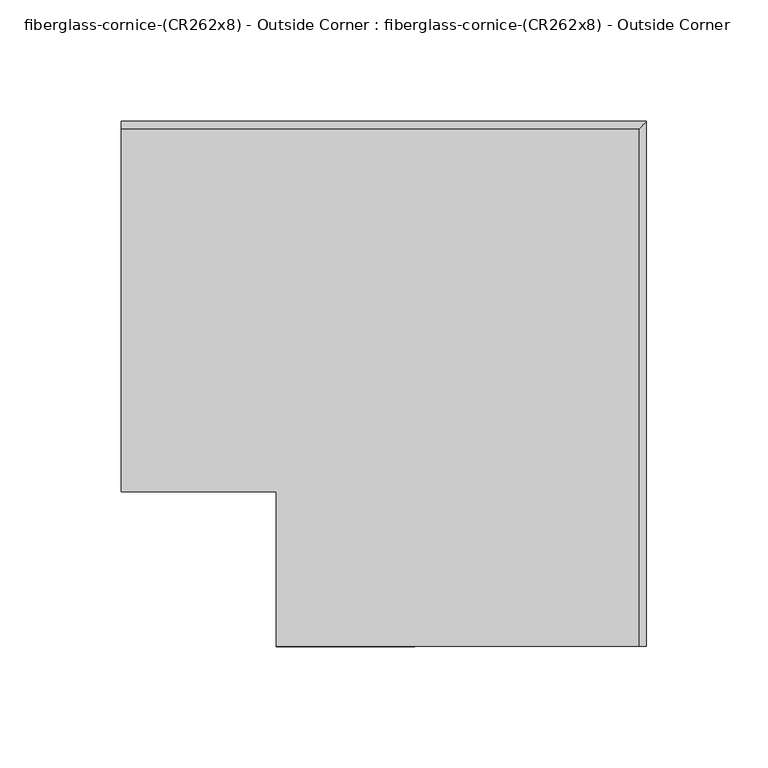
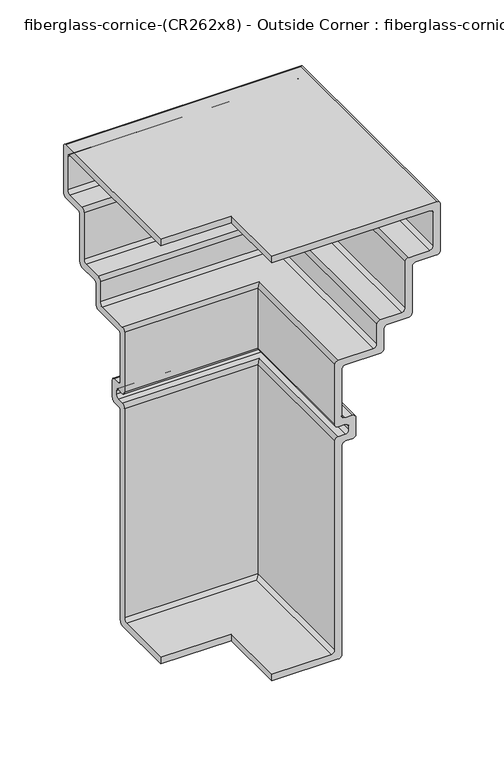
"""IFC4 building model written with IfcOpenShell, lengths in millimetres: furniture geometry, fiberglass-cornice-(CR262x8) - Outside Corner : fiberglass-cornice-(CR262x8) - Outside Corner."""

from ifc_helpers import new_model, si_unit, frame, origin, place, context, project, spatial, polyline, circle_curve, ellipse_curve, source, transform, mapped, element, save
from ifc_brep_helpers import plane_surface, cylinder_surface, revolved_surface, advanced_brep


def fiberglass_cornice_cr262x8_outside_corner_fiberglass_cornice_891cc02f(model_context):
    return source(origin(), model_context, "Body", "AdvancedBrep", [
        advanced_brep(
        [(-196.9488213, 101.6, 323.8499904), (-196.9488213, 101.6, 330.1999904), (-196.9488213, 250.825, 330.1999904), (-196.9488213, 254.0, 327.0249904), (-196.9488213, 254.0, 282.5749904), (-196.9488213, 250.825, 279.3999904), (-196.9488213, 231.775, 279.3999904), (-196.9488213, 228.6, 276.2249904), (-196.9488213, 228.6, 231.7749904), (-196.9488213, 225.425, 228.5999904), (-196.9488213, 206.375, 228.5999904), (-196.9488213, 203.2, 225.4249904), (-196.9488213, 203.2, 206.3749904), (-196.9488213, 200.025, 203.1999904), (-196.9488213, 168.275, 203.1999904), (-196.9488213, 165.1, 200.0249904), (-196.9488213, 165.1, 155.5749904), (-196.9488213, 168.275, 152.3999904), (-196.9488213, 174.625, 152.3999904), (-196.9488213, 177.8, 149.2249904), (-196.9488213, 177.8, 133.3499904), (-196.9488213, 174.625, 130.1749904), (-196.9488213, 168.275, 130.1749904), (-196.9488213, 165.1, 126.9999904), (-196.9488213, 165.1, -73.0250096), (-196.9488213, 161.925, -76.2000096), (-196.9488213, 101.6, -76.2000096), (-196.9488213, 101.6, -69.8500096), (-196.9488213, 155.575, -69.8500096), (-196.9488213, 158.75, -66.6750096), (-196.9488213, 158.75, 133.3499904), (-196.9488213, 161.925, 136.5249904), (-196.9488213, 168.275, 136.5249904), (-196.9488213, 171.45, 139.6999904), (-196.9488213, 171.45, 142.8749904), (-196.9488213, 168.275, 146.0499904), (-196.9488213, 161.925, 146.0499904), (-196.9488213, 158.75, 149.2249904), (-196.9488213, 158.75, 206.3749904), (-196.9488213, 161.925, 209.5499904), (-196.9488213, 193.675, 209.5499904), (-196.9488213, 196.85, 212.7249904), (-196.9488213, 196.85, 231.7749904), (-196.9488213, 200.025, 234.9499904), (-196.9488213, 219.075, 234.9499904), (-196.9488213, 222.25, 238.1249904), (-196.9488213, 222.25, 282.5749904), (-196.9488213, 225.425, 285.7499904), (-196.9488213, 244.475, 285.7499904), (-196.9488213, 247.65, 288.9249904), (-196.9488213, 247.65, 320.6749904), (-196.9488213, 244.475, 323.8499904), (-133.3496026, 38.0007813, 323.8499904), (9.5253974, 38.0007813, 323.8499904), (12.7003974, 38.0007813, 320.6749904), (12.7003974, 38.0007813, 288.9249904), (9.5253974, 38.0007813, 285.7499904), (-9.5246026, 38.0007813, 285.7499904), (-12.6996026, 38.0007813, 282.5749904), (-12.6996026, 38.0007813, 238.1249904), (-15.8746026, 38.0007813, 234.9499904), (-34.9246026, 38.0007813, 234.9499904), (-38.0996026, 38.0007813, 231.7749904), (-38.0996026, 38.0007813, 212.7249904), (-41.2746026, 38.0007813, 209.5499904), (-73.0246026, 38.0007813, 209.5499904), (-76.1996026, 38.0007813, 206.3749904), (-76.1996026, 38.0007813, 149.2249904), (-73.0246026, 38.0007813, 146.0499904), (-66.6746026, 38.0007813, 146.0499904), (-63.4996026, 38.0007813, 142.8749904), (-63.4996026, 38.0007813, 139.6999904), (-66.6746026, 38.0007813, 136.5249904), (-73.0246026, 38.0007813, 136.5249904), (-76.1996026, 38.0007813, 133.3499904), (-76.1996026, 38.0007813, -66.6750096), (-79.3746026, 38.0007813, -69.8500096), (-133.3496026, 38.0007813, -69.8500096), (-133.3496026, 38.0007813, -76.2000096), (-73.0246026, 38.0007813, -76.2000096), (-69.8496026, 38.0007813, -73.0250096), (-69.8496026, 38.0007813, 126.9999904), (-66.6746026, 38.0007813, 130.1749904), (-60.3246026, 38.0007813, 130.1749904), (-57.1496026, 38.0007813, 133.3499904), (-57.1496026, 38.0007813, 149.2249904), (-60.3246026, 38.0007813, 152.3999904), (-66.6746026, 38.0007813, 152.3999904), (-69.8496026, 38.0007813, 155.5749904), (-69.8496026, 38.0007813, 200.0249904), (-66.6746026, 38.0007813, 203.1999904), (-34.9246026, 38.0007813, 203.1999904), (-31.7496026, 38.0007813, 206.3749904), (-31.7496026, 38.0007813, 225.4249904), (-28.5746026, 38.0007813, 228.5999904), (-9.5246026, 38.0007813, 228.5999904), (-6.3496026, 38.0007813, 231.7749904), (-6.3496026, 38.0007813, 276.2249904), (-3.1746026, 38.0007813, 279.3999904), (15.8753974, 38.0007813, 279.3999904), (19.0503974, 38.0007813, 282.5749904), (19.0503974, 38.0007813, 327.0249904), (15.8753974, 38.0007813, 330.1999904), (-133.3496026, 38.0007813, 330.1999904), (-133.3496026, 101.6, 323.8499904), (-133.3496026, 101.6, 330.1999904), (15.8753974, 250.825, 330.1999904), (19.0503974, 254.0, 327.0249904), (19.0503974, 254.0, 282.5749904), (15.8753974, 250.825, 279.3999904), (-3.1746026, 231.775, 279.3999904), (-6.3496026, 228.6, 276.2249904), (-6.3496026, 228.6, 231.7749904), (-9.5246026, 225.425, 228.5999904), (-28.5746026, 206.375, 228.5999904), (-31.7496026, 203.2, 225.4249904), (-31.7496026, 203.2, 206.3749904), (-34.9246026, 200.025, 203.1999904), (-66.6746026, 168.275, 203.1999904), (-69.8496026, 165.1, 200.0249904), (-69.8496026, 165.1, 155.5749904), (-66.6746026, 168.275, 152.3999904), (-60.3246026, 174.625, 152.3999904), (-57.1496026, 177.8, 149.2249904), (-57.1496026, 177.8, 133.3499904), (-60.3246026, 174.625, 130.1749904), (-66.6746026, 168.275, 130.1749904), (-69.8496026, 165.1, 126.9999904), (-69.8496026, 165.1, -73.0250096), (-73.0246026, 161.925, -76.2000096), (-133.3496026, 101.6, -76.2000096), (-133.3496026, 101.6, -69.8500096), (-79.3746026, 155.575, -69.8500096), (-76.1996026, 158.75, -66.6750096), (-76.1996026, 158.75, 133.3499904), (-73.0246026, 161.925, 136.5249904), (-66.6746026, 168.275, 136.5249904), (-63.4996026, 171.45, 139.6999904), (-63.4996026, 171.45, 142.8749904), (-66.6746026, 168.275, 146.0499904), (-73.0246026, 161.925, 146.0499904), (-76.1996026, 158.75, 149.2249904), (-76.1996026, 158.75, 206.3749904), (-73.0246026, 161.925, 209.5499904), (-41.2746026, 193.675, 209.5499904), (-38.0996026, 196.85, 212.7249904), (-38.0996026, 196.85, 231.7749904), (-34.9246026, 200.025, 234.9499904), (-15.8746026, 219.075, 234.9499904), (-12.6996026, 222.25, 238.1249904), (-12.6996026, 222.25, 282.5749904), (-9.5246026, 225.425, 285.7499904), (9.5253974, 244.475, 285.7499904), (12.7003974, 247.65, 288.9249904), (12.7003974, 247.65, 320.6749904), (9.5253974, 244.475, 323.8499904)],
        [
            (0, 1),
            (1, 2),
            (2, 3, circle_curve(frame((-196.9488213, 250.825, 327.0249904), z_axis=(-1.0, 0.0, 0.0), x_axis=(0.0, 1.0, 0.0)), 3.175)),
            (3, 4),
            (4, 5, circle_curve(frame((-196.9488213, 250.825, 282.5749904), z_axis=(-1.0, 0.0, 0.0), x_axis=(0.0, 1.0, 0.0)), 3.175)),
            (5, 6),
            (6, 7, circle_curve(frame((-196.9488213, 231.775, 276.2249904), z_axis=(1.0, 0.0, 0.0), x_axis=(0.0, 1.0, 0.0)), 3.175)),
            (7, 8),
            (8, 9, circle_curve(frame((-196.9488213, 225.425, 231.7749904), z_axis=(-1.0, 0.0, 0.0), x_axis=(0.0, 1.0, 0.0)), 3.175)),
            (9, 10),
            (10, 11, circle_curve(frame((-196.9488213, 206.375, 225.4249904), z_axis=(1.0, 0.0, 0.0), x_axis=(0.0, 1.0, 0.0)), 3.175)),
            (11, 12),
            (12, 13, circle_curve(frame((-196.9488213, 200.025, 206.3749904), z_axis=(-1.0, 0.0, 0.0), x_axis=(0.0, 1.0, 0.0)), 3.175)),
            (13, 14),
            (14, 15, circle_curve(frame((-196.9488213, 168.275, 200.0249904), z_axis=(1.0, 0.0, 0.0), x_axis=(0.0, 1.0, 0.0)), 3.175)),
            (15, 16),
            (16, 17, circle_curve(frame((-196.9488213, 168.275, 155.5749904), z_axis=(1.0, 0.0, 0.0), x_axis=(0.0, 1.0, 0.0)), 3.175)),
            (17, 18),
            (18, 19, circle_curve(frame((-196.9488213, 174.625, 149.2249904), z_axis=(-1.0, 0.0, 0.0), x_axis=(0.0, 1.0, 0.0)), 3.175)),
            (19, 20),
            (20, 21, circle_curve(frame((-196.9488213, 174.625, 133.3499904), z_axis=(-1.0, 0.0, 0.0), x_axis=(0.0, 1.0, 0.0)), 3.175)),
            (21, 22),
            (22, 23, circle_curve(frame((-196.9488213, 168.275, 126.9999904), z_axis=(1.0, 0.0, 0.0), x_axis=(0.0, 1.0, 0.0)), 3.175)),
            (23, 24),
            (24, 25, circle_curve(frame((-196.9488213, 161.925, -73.0250096), z_axis=(-1.0, 0.0, 0.0), x_axis=(0.0, 1.0, 0.0)), 3.175)),
            (25, 26),
            (26, 27),
            (27, 28),
            (28, 29, circle_curve(frame((-196.9488213, 155.575, -66.6750096), z_axis=(1.0, 0.0, 0.0), x_axis=(0.0, 1.0, 0.0)), 3.175)),
            (29, 30),
            (30, 31, circle_curve(frame((-196.9488213, 161.925, 133.3499904), z_axis=(-1.0, 0.0, 0.0), x_axis=(0.0, 1.0, 0.0)), 3.175)),
            (31, 32),
            (32, 33, circle_curve(frame((-196.9488213, 168.275, 139.6999904), z_axis=(1.0, 0.0, 0.0), x_axis=(0.0, 1.0, 0.0)), 3.175)),
            (33, 34),
            (34, 35, circle_curve(frame((-196.9488213, 168.275, 142.8749904), z_axis=(1.0, 0.0, 0.0), x_axis=(0.0, 1.0, 0.0)), 3.175)),
            (35, 36),
            (36, 37, circle_curve(frame((-196.9488213, 161.925, 149.2249904), z_axis=(-1.0, 0.0, 0.0), x_axis=(0.0, 1.0, 0.0)), 3.175)),
            (37, 38),
            (38, 39, circle_curve(frame((-196.9488213, 161.925, 206.3749904), z_axis=(-1.0, 0.0, 0.0), x_axis=(0.0, 1.0, 0.0)), 3.175)),
            (39, 40),
            (40, 41, circle_curve(frame((-196.9488213, 193.675, 212.7249904), z_axis=(1.0, 0.0, 0.0), x_axis=(0.0, 1.0, 0.0)), 3.175)),
            (41, 42),
            (42, 43, circle_curve(frame((-196.9488213, 200.025, 231.7749904), z_axis=(-1.0, 0.0, 0.0), x_axis=(0.0, 1.0, 0.0)), 3.175)),
            (43, 44),
            (44, 45, circle_curve(frame((-196.9488213, 219.075, 238.1249904), z_axis=(1.0, 0.0, 0.0), x_axis=(0.0, 1.0, 0.0)), 3.175)),
            (45, 46),
            (46, 47, circle_curve(frame((-196.9488213, 225.425, 282.5749904), z_axis=(-1.0, 0.0, 0.0), x_axis=(0.0, 1.0, 0.0)), 3.175)),
            (47, 48),
            (48, 49, circle_curve(frame((-196.9488213, 244.475, 288.9249904), z_axis=(1.0, 0.0, 0.0), x_axis=(0.0, 1.0, 0.0)), 3.175)),
            (49, 50),
            (50, 51, circle_curve(frame((-196.9488213, 244.475, 320.6749904), z_axis=(1.0, 0.0, 0.0), x_axis=(0.0, 1.0, 0.0)), 3.175)),
            (51, 0),
            (52, 53),
            (53, 54, circle_curve(frame((9.5253974, 38.0007813, 320.6749904), z_axis=(0.0, 1.0, 0.0), x_axis=(1.0, 0.0, 0.0)), 3.175)),
            (54, 55),
            (55, 56, circle_curve(frame((9.5253974, 38.0007813, 288.9249904), z_axis=(0.0, 1.0, 0.0), x_axis=(1.0, 0.0, 0.0)), 3.175)),
            (56, 57),
            (57, 58, circle_curve(frame((-9.5246026, 38.0007813, 282.5749904), z_axis=(0.0, -1.0, 0.0), x_axis=(1.0, 0.0, 0.0)), 3.175)),
            (58, 59),
            (59, 60, circle_curve(frame((-15.8746026, 38.0007813, 238.1249904), z_axis=(0.0, 1.0, 0.0), x_axis=(1.0, 0.0, 0.0)), 3.175)),
            (60, 61),
            (61, 62, circle_curve(frame((-34.9246026, 38.0007813, 231.7749904), z_axis=(0.0, -1.0, 0.0), x_axis=(1.0, 0.0, 0.0)), 3.175)),
            (62, 63),
            (63, 64, circle_curve(frame((-41.2746026, 38.0007813, 212.7249904), z_axis=(0.0, 1.0, 0.0), x_axis=(1.0, 0.0, 0.0)), 3.175)),
            (64, 65),
            (65, 66, circle_curve(frame((-73.0246026, 38.0007813, 206.3749904), z_axis=(0.0, -1.0, 0.0), x_axis=(1.0, 0.0, 0.0)), 3.175)),
            (66, 67),
            (67, 68, circle_curve(frame((-73.0246026, 38.0007813, 149.2249904), z_axis=(0.0, -1.0, 0.0), x_axis=(1.0, 0.0, 0.0)), 3.175)),
            (68, 69),
            (69, 70, circle_curve(frame((-66.6746026, 38.0007813, 142.8749904), z_axis=(0.0, 1.0, 0.0), x_axis=(1.0, 0.0, 0.0)), 3.175)),
            (70, 71),
            (71, 72, circle_curve(frame((-66.6746026, 38.0007813, 139.6999904), z_axis=(0.0, 1.0, 0.0), x_axis=(1.0, 0.0, 0.0)), 3.175)),
            (72, 73),
            (73, 74, circle_curve(frame((-73.0246026, 38.0007813, 133.3499904), z_axis=(0.0, -1.0, 0.0), x_axis=(1.0, 0.0, 0.0)), 3.175)),
            (74, 75),
            (75, 76, circle_curve(frame((-79.3746026, 38.0007813, -66.6750096), z_axis=(0.0, 1.0, 0.0), x_axis=(1.0, 0.0, 0.0)), 3.175)),
            (76, 77),
            (77, 78),
            (78, 79),
            (79, 80, circle_curve(frame((-73.0246026, 38.0007813, -73.0250096), z_axis=(0.0, -1.0, 0.0), x_axis=(1.0, 0.0, 0.0)), 3.175)),
            (80, 81),
            (81, 82, circle_curve(frame((-66.6746026, 38.0007813, 126.9999904), z_axis=(0.0, 1.0, 0.0), x_axis=(1.0, 0.0, 0.0)), 3.175)),
            (82, 83),
            (83, 84, circle_curve(frame((-60.3246026, 38.0007813, 133.3499904), z_axis=(0.0, -1.0, 0.0), x_axis=(1.0, 0.0, 0.0)), 3.175)),
            (84, 85),
            (85, 86, circle_curve(frame((-60.3246026, 38.0007813, 149.2249904), z_axis=(0.0, -1.0, 0.0), x_axis=(1.0, 0.0, 0.0)), 3.175)),
            (86, 87),
            (87, 88, circle_curve(frame((-66.6746026, 38.0007813, 155.5749904), z_axis=(0.0, 1.0, 0.0), x_axis=(1.0, 0.0, 0.0)), 3.175)),
            (88, 89),
            (89, 90, circle_curve(frame((-66.6746026, 38.0007813, 200.0249904), z_axis=(0.0, 1.0, 0.0), x_axis=(1.0, 0.0, 0.0)), 3.175)),
            (90, 91),
            (91, 92, circle_curve(frame((-34.9246026, 38.0007813, 206.3749904), z_axis=(0.0, -1.0, 0.0), x_axis=(1.0, 0.0, 0.0)), 3.175)),
            (92, 93),
            (93, 94, circle_curve(frame((-28.5746026, 38.0007813, 225.4249904), z_axis=(0.0, 1.0, 0.0), x_axis=(1.0, 0.0, 0.0)), 3.175)),
            (94, 95),
            (95, 96, circle_curve(frame((-9.5246026, 38.0007813, 231.7749904), z_axis=(0.0, -1.0, 0.0), x_axis=(1.0, 0.0, 0.0)), 3.175)),
            (96, 97),
            (97, 98, circle_curve(frame((-3.1746026, 38.0007813, 276.2249904), z_axis=(0.0, 1.0, 0.0), x_axis=(1.0, 0.0, 0.0)), 3.175)),
            (98, 99),
            (99, 100, circle_curve(frame((15.8753974, 38.0007813, 282.5749904), z_axis=(0.0, -1.0, 0.0), x_axis=(1.0, 0.0, 0.0)), 3.175)),
            (100, 101),
            (101, 102, circle_curve(frame((15.8753974, 38.0007813, 327.0249904), z_axis=(0.0, -1.0, 0.0), x_axis=(1.0, 0.0, 0.0)), 3.175)),
            (102, 103),
            (103, 52),
            (0, 104),
            (104, 105),
            (105, 1),
            (105, 103),
            (102, 106),
            (106, 2),
            (106, 107, ellipse_curve(frame((15.8753974, 250.825, 327.0249904), z_axis=(-0.7071067811865563, 0.7071067811865387, 0.0), x_axis=(-0.7071067811865387, -0.7071067811865565, 0.0)), 4.4901281, 3.175)),
            (107, 3),
            (107, 108),
            (108, 4),
            (108, 109, ellipse_curve(frame((15.8753974, 250.825, 282.5749904), z_axis=(-0.7071067811865563, 0.7071067811865387, 0.0), x_axis=(-0.7071067811865387, -0.7071067811865565, 0.0)), 4.4901281, 3.175)),
            (109, 5),
            (109, 99),
            (98, 110),
            (110, 6),
            (110, 111, ellipse_curve(frame((-3.1746026, 231.775, 276.2249904), z_axis=(0.7071067811865563, -0.7071067811865387, 0.0), x_axis=(0.7071067811865387, 0.7071067811865565, 0.0)), 4.4901281, 3.175)),
            (111, 7),
            (111, 112),
            (112, 8),
            (112, 113, ellipse_curve(frame((-9.5246026, 225.425, 231.7749904), z_axis=(-0.7071067811865563, 0.7071067811865387, 0.0), x_axis=(-0.7071067811865387, -0.7071067811865565, 0.0)), 4.4901281, 3.175)),
            (113, 9),
            (113, 95),
            (94, 114),
            (114, 10),
            (114, 115, ellipse_curve(frame((-28.5746026, 206.375, 225.4249904), z_axis=(0.7071067811865563, -0.7071067811865387, 0.0), x_axis=(0.7071067811865387, 0.7071067811865565, 0.0)), 4.4901281, 3.175)),
            (115, 11),
            (115, 116),
            (116, 12),
            (116, 117, ellipse_curve(frame((-34.9246026, 200.025, 206.3749904), z_axis=(-0.7071067811865563, 0.7071067811865387, 0.0), x_axis=(-0.7071067811865387, -0.7071067811865565, 0.0)), 4.4901281, 3.175)),
            (117, 13),
            (117, 91),
            (90, 118),
            (118, 14),
            (118, 119, ellipse_curve(frame((-66.6746026, 168.275, 200.0249904), z_axis=(0.7071067811865563, -0.7071067811865387, 0.0), x_axis=(0.7071067811865387, 0.7071067811865565, 0.0)), 4.4901281, 3.175)),
            (119, 15),
            (119, 120),
            (120, 16),
            (120, 121, ellipse_curve(frame((-66.6746026, 168.275, 155.5749904), z_axis=(0.7071067811865563, -0.7071067811865387, 0.0), x_axis=(0.7071067811865387, 0.7071067811865565, 0.0)), 4.4901281, 3.175)),
            (121, 17),
            (121, 87),
            (86, 122),
            (122, 18),
            (122, 123, ellipse_curve(frame((-60.3246026, 174.625, 149.2249904), z_axis=(-0.7071067811865563, 0.7071067811865387, 0.0), x_axis=(-0.7071067811865387, -0.7071067811865565, 0.0)), 4.4901281, 3.175)),
            (123, 19),
            (123, 124),
            (124, 20),
            (124, 125, ellipse_curve(frame((-60.3246026, 174.625, 133.3499904), z_axis=(-0.7071067811865563, 0.7071067811865387, 0.0), x_axis=(-0.7071067811865387, -0.7071067811865565, 0.0)), 4.4901281, 3.175)),
            (125, 21),
            (125, 83),
            (82, 126),
            (126, 22),
            (126, 127, ellipse_curve(frame((-66.6746026, 168.275, 126.9999904), z_axis=(0.7071067811865563, -0.7071067811865387, 0.0), x_axis=(0.7071067811865387, 0.7071067811865565, 0.0)), 4.4901281, 3.175)),
            (127, 23),
            (127, 128),
            (128, 24),
            (128, 129, ellipse_curve(frame((-73.0246026, 161.925, -73.0250096), z_axis=(-0.7071067811865563, 0.7071067811865387, 0.0), x_axis=(-0.7071067811865387, -0.7071067811865565, 0.0)), 4.4901281, 3.175)),
            (129, 25),
            (129, 79),
            (78, 130),
            (130, 26),
            (130, 131),
            (131, 27),
            (131, 77),
            (76, 132),
            (132, 28),
            (132, 133, ellipse_curve(frame((-79.3746026, 155.575, -66.6750096), z_axis=(0.7071067811865563, -0.7071067811865387, 0.0), x_axis=(0.7071067811865387, 0.7071067811865565, 0.0)), 4.4901281, 3.175)),
            (133, 29),
            (133, 134),
            (134, 30),
            (134, 135, ellipse_curve(frame((-73.0246026, 161.925, 133.3499904), z_axis=(-0.7071067811865563, 0.7071067811865387, 0.0), x_axis=(-0.7071067811865387, -0.7071067811865565, 0.0)), 4.4901281, 3.175)),
            (135, 31),
            (135, 73),
            (72, 136),
            (136, 32),
            (136, 137, ellipse_curve(frame((-66.6746026, 168.275, 139.6999904), z_axis=(0.7071067811865563, -0.7071067811865387, 0.0), x_axis=(0.7071067811865387, 0.7071067811865565, 0.0)), 4.4901281, 3.175)),
            (137, 33),
            (137, 138),
            (138, 34),
            (138, 139, ellipse_curve(frame((-66.6746026, 168.275, 142.8749904), z_axis=(0.7071067811865563, -0.7071067811865387, 0.0), x_axis=(0.7071067811865387, 0.7071067811865565, 0.0)), 4.4901281, 3.175)),
            (139, 35),
            (139, 69),
            (68, 140),
            (140, 36),
            (140, 141, ellipse_curve(frame((-73.0246026, 161.925, 149.2249904), z_axis=(-0.7071067811865563, 0.7071067811865387, 0.0), x_axis=(-0.7071067811865387, -0.7071067811865565, 0.0)), 4.4901281, 3.175)),
            (141, 37),
            (141, 142),
            (142, 38),
            (142, 143, ellipse_curve(frame((-73.0246026, 161.925, 206.3749904), z_axis=(-0.7071067811865563, 0.7071067811865387, 0.0), x_axis=(-0.7071067811865387, -0.7071067811865565, 0.0)), 4.4901281, 3.175)),
            (143, 39),
            (143, 65),
            (64, 144),
            (144, 40),
            (144, 145, ellipse_curve(frame((-41.2746026, 193.675, 212.7249904), z_axis=(0.7071067811865563, -0.7071067811865387, 0.0), x_axis=(0.7071067811865387, 0.7071067811865565, 0.0)), 4.4901281, 3.175)),
            (145, 41),
            (145, 146),
            (146, 42),
            (146, 147, ellipse_curve(frame((-34.9246026, 200.025, 231.7749904), z_axis=(-0.7071067811865563, 0.7071067811865387, 0.0), x_axis=(-0.7071067811865387, -0.7071067811865565, 0.0)), 4.4901281, 3.175)),
            (147, 43),
            (147, 61),
            (60, 148),
            (148, 44),
            (148, 149, ellipse_curve(frame((-15.8746026, 219.075, 238.1249904), z_axis=(0.7071067811865563, -0.7071067811865387, 0.0), x_axis=(0.7071067811865387, 0.7071067811865565, 0.0)), 4.4901281, 3.175)),
            (149, 45),
            (149, 150),
            (150, 46),
            (150, 151, ellipse_curve(frame((-9.5246026, 225.425, 282.5749904), z_axis=(-0.7071067811865563, 0.7071067811865387, 0.0), x_axis=(-0.7071067811865387, -0.7071067811865565, 0.0)), 4.4901281, 3.175)),
            (151, 47),
            (151, 57),
            (56, 152),
            (152, 48),
            (152, 153, ellipse_curve(frame((9.5253974, 244.475, 288.9249904), z_axis=(0.7071067811865563, -0.7071067811865387, 0.0), x_axis=(0.7071067811865387, 0.7071067811865565, 0.0)), 4.4901281, 3.175)),
            (153, 49),
            (153, 154),
            (154, 50),
            (154, 155, ellipse_curve(frame((9.5253974, 244.475, 320.6749904), z_axis=(0.7071067811865563, -0.7071067811865387, 0.0), x_axis=(0.7071067811865387, 0.7071067811865565, 0.0)), 4.4901281, 3.175)),
            (155, 51),
            (155, 53),
            (52, 104),
            (101, 107),
            (100, 108),
            (97, 111),
            (96, 112),
            (93, 115),
            (92, 116),
            (89, 119),
            (88, 120),
            (85, 123),
            (84, 124),
            (81, 127),
            (80, 128),
            (75, 133),
            (74, 134),
            (71, 137),
            (70, 138),
            (67, 141),
            (66, 142),
            (63, 145),
            (62, 146),
            (59, 149),
            (58, 150),
            (55, 153),
            (54, 154),
        ],
        [
            plane_surface(frame((-196.9488213, 101.6, 330.1999904), z_axis=(-1.0, 0.0, 0.0), x_axis=(0.0, 0.0, 1.0))),
            plane_surface(frame((-133.3496026, 38.0007813, 330.1999904), z_axis=(0.0, -1.0, 0.0), x_axis=(0.0, 0.0, 1.0))),
            plane_surface(frame((-196.9488213, 101.6, 323.8499904), z_axis=(0.0, -1.0, 0.0), x_axis=(1.0, 0.0, 0.0))),
            plane_surface(frame((-196.9488213, 101.6, 330.1999904), z_axis=(0.0, 0.0, 1.0), x_axis=(1.0, 0.0, 0.0))),
            cylinder_surface(frame((-196.9488213, 250.825, 327.0249904), z_axis=(-1.0, 0.0, 0.0), x_axis=(0.0, 1.0, 0.0)), 3.175),
            plane_surface(frame((-196.9488213, 254.0, 327.0249904), z_axis=(0.0, 1.0, 0.0), x_axis=(1.0, 0.0, 0.0))),
            cylinder_surface(frame((-196.9488213, 250.825, 282.5749904), z_axis=(-1.0, 0.0, 0.0), x_axis=(0.0, 1.0, 0.0)), 3.175),
            plane_surface(frame((-196.9488213, 250.825, 279.3999904), z_axis=(0.0, 0.0, -1.0), x_axis=(1.0, 0.0, 0.0))),
            revolved_surface(polyline([(0.0003974279062504138, 234.95000000000002, 276.2249904), (-196.9488213, 234.95000000000002, 276.2249904)]), (-196.9488213, 231.775, 276.2249904), (1.0, 0.0, 0.0)),
            plane_surface(frame((-196.9488213, 228.6, 276.2249904), z_axis=(0.0, 1.0, 0.0), x_axis=(1.0, 0.0, 0.0))),
            cylinder_surface(frame((-196.9488213, 225.425, 231.7749904), z_axis=(-1.0, 0.0, 0.0), x_axis=(0.0, 1.0, 0.0)), 3.175),
            plane_surface(frame((-196.9488213, 225.425, 228.5999904), z_axis=(0.0, 0.0, -1.0), x_axis=(1.0, 0.0, 0.0))),
            revolved_surface(polyline([(-25.399602572093755, 209.55, 225.4249904), (-196.9488213, 209.55, 225.4249904)]), (-196.9488213, 206.375, 225.4249904), (1.0, 0.0, 0.0)),
            plane_surface(frame((-196.9488213, 203.2, 225.4249904), z_axis=(0.0, 1.0, 0.0), x_axis=(1.0, 0.0, 0.0))),
            cylinder_surface(frame((-196.9488213, 200.025, 206.3749904), z_axis=(-1.0, 0.0, 0.0), x_axis=(0.0, 1.0, 0.0)), 3.175),
            plane_surface(frame((-196.9488213, 200.025, 203.1999904), z_axis=(0.0, 0.0, -1.0), x_axis=(1.0, 0.0, 0.0))),
            revolved_surface(polyline([(-63.49960257209375, 171.45000000000002, 200.0249904), (-196.9488213, 171.45000000000002, 200.0249904)]), (-196.9488213, 168.275, 200.0249904), (1.0, 0.0, 0.0)),
            plane_surface(frame((-196.9488213, 165.1, 200.0249904), z_axis=(0.0, 1.0, 0.0), x_axis=(1.0, 0.0, 0.0))),
            revolved_surface(polyline([(-63.49960257209375, 171.45000000000002, 155.5749904), (-196.9488213, 171.45000000000002, 155.5749904)]), (-196.9488213, 168.275, 155.5749904), (1.0, 0.0, 0.0)),
            plane_surface(frame((-196.9488213, 168.275, 152.3999904), z_axis=(0.0, 0.0, 1.0), x_axis=(1.0, 0.0, 0.0))),
            cylinder_surface(frame((-196.9488213, 174.625, 149.2249904), z_axis=(-1.0, 0.0, 0.0), x_axis=(0.0, 1.0, 0.0)), 3.175),
            plane_surface(frame((-196.9488213, 177.8, 149.2249904), z_axis=(0.0, 1.0, 0.0), x_axis=(1.0, 0.0, 0.0))),
            cylinder_surface(frame((-196.9488213, 174.625, 133.3499904), z_axis=(-1.0, 0.0, 0.0), x_axis=(0.0, 1.0, 0.0)), 3.175),
            plane_surface(frame((-196.9488213, 174.625, 130.1749904), z_axis=(0.0, 0.0, -1.0), x_axis=(1.0, 0.0, 0.0))),
            revolved_surface(polyline([(-63.49960257209375, 171.45000000000002, 126.9999904), (-196.9488213, 171.45000000000002, 126.9999904)]), (-196.9488213, 168.275, 126.9999904), (1.0, 0.0, 0.0)),
            plane_surface(frame((-196.9488213, 165.1, 126.9999904), z_axis=(0.0, 1.0, 0.0), x_axis=(1.0, 0.0, 0.0))),
            cylinder_surface(frame((-196.9488213, 161.925, -73.0250096), z_axis=(-1.0, 0.0, 0.0), x_axis=(0.0, 1.0, 0.0)), 3.175),
            plane_surface(frame((-196.9488213, 161.925, -76.2000096), z_axis=(0.0, 0.0, -1.0), x_axis=(1.0, 0.0, 0.0))),
            plane_surface(frame((-196.9488213, 101.6, -76.2000096), z_axis=(0.0, -1.0, 0.0), x_axis=(1.0, 0.0, 0.0))),
            plane_surface(frame((-196.9488213, 101.6, -69.8500096), z_axis=(0.0, 0.0, 1.0), x_axis=(1.0, 0.0, 0.0))),
            revolved_surface(polyline([(-76.19960257209378, 158.75, -66.6750096), (-196.9488213, 158.75, -66.6750096)]), (-196.9488213, 155.575, -66.6750096), (1.0, 0.0, 0.0)),
            plane_surface(frame((-196.9488213, 158.75, -66.6750096), z_axis=(0.0, -1.0, 0.0), x_axis=(1.0, 0.0, 0.0))),
            cylinder_surface(frame((-196.9488213, 161.925, 133.3499904), z_axis=(-1.0, 0.0, 0.0), x_axis=(0.0, 1.0, 0.0)), 3.175),
            plane_surface(frame((-196.9488213, 161.925, 136.5249904), z_axis=(0.0, 0.0, 1.0), x_axis=(1.0, 0.0, 0.0))),
            revolved_surface(polyline([(-63.49960257209375, 171.45000000000002, 139.6999904), (-196.9488213, 171.45000000000002, 139.6999904)]), (-196.9488213, 168.275, 139.6999904), (1.0, 0.0, 0.0)),
            plane_surface(frame((-196.9488213, 171.45, 139.6999904), z_axis=(0.0, -1.0, 0.0), x_axis=(1.0, 0.0, 0.0))),
            revolved_surface(polyline([(-63.49960257209375, 171.45000000000002, 142.8749904), (-196.9488213, 171.45000000000002, 142.8749904)]), (-196.9488213, 168.275, 142.8749904), (1.0, 0.0, 0.0)),
            plane_surface(frame((-196.9488213, 168.275, 146.0499904), z_axis=(0.0, 0.0, -1.0), x_axis=(1.0, 0.0, 0.0))),
            cylinder_surface(frame((-196.9488213, 161.925, 149.2249904), z_axis=(-1.0, 0.0, 0.0), x_axis=(0.0, 1.0, 0.0)), 3.175),
            plane_surface(frame((-196.9488213, 158.75, 149.2249904), z_axis=(0.0, -1.0, 0.0), x_axis=(1.0, 0.0, 0.0))),
            cylinder_surface(frame((-196.9488213, 161.925, 206.3749904), z_axis=(-1.0, 0.0, 0.0), x_axis=(0.0, 1.0, 0.0)), 3.175),
            plane_surface(frame((-196.9488213, 161.925, 209.5499904), z_axis=(0.0, 0.0, 1.0), x_axis=(1.0, 0.0, 0.0))),
            revolved_surface(polyline([(-38.09960257209377, 196.85000000000002, 212.7249904), (-196.9488213, 196.85000000000002, 212.7249904)]), (-196.9488213, 193.675, 212.7249904), (1.0, 0.0, 0.0)),
            plane_surface(frame((-196.9488213, 196.85, 212.7249904), z_axis=(0.0, -1.0, 0.0), x_axis=(1.0, 0.0, 0.0))),
            cylinder_surface(frame((-196.9488213, 200.025, 231.7749904), z_axis=(-1.0, 0.0, 0.0), x_axis=(0.0, 1.0, 0.0)), 3.175),
            plane_surface(frame((-196.9488213, 200.025, 234.9499904), z_axis=(0.0, 0.0, 1.0), x_axis=(1.0, 0.0, 0.0))),
            revolved_surface(polyline([(-12.699602572093767, 222.25, 238.1249904), (-196.9488213, 222.25, 238.1249904)]), (-196.9488213, 219.075, 238.1249904), (1.0, 0.0, 0.0)),
            plane_surface(frame((-196.9488213, 222.25, 238.1249904), z_axis=(0.0, -1.0, 0.0), x_axis=(1.0, 0.0, 0.0))),
            cylinder_surface(frame((-196.9488213, 225.425, 282.5749904), z_axis=(-1.0, 0.0, 0.0), x_axis=(0.0, 1.0, 0.0)), 3.175),
            plane_surface(frame((-196.9488213, 225.425, 285.7499904), z_axis=(0.0, 0.0, 1.0), x_axis=(1.0, 0.0, 0.0))),
            revolved_surface(polyline([(12.700397427906239, 247.65, 288.9249904), (-196.9488213, 247.65, 288.9249904)]), (-196.9488213, 244.475, 288.9249904), (1.0, 0.0, 0.0)),
            plane_surface(frame((-196.9488213, 247.65, 288.9249904), z_axis=(0.0, -1.0, 0.0), x_axis=(1.0, 0.0, 0.0))),
            revolved_surface(polyline([(12.700397427906239, 247.65, 320.6749904), (-196.9488213, 247.65, 320.6749904)]), (-196.9488213, 244.475, 320.6749904), (1.0, 0.0, 0.0)),
            plane_surface(frame((-196.9488213, 244.475, 323.8499904), z_axis=(0.0, 0.0, -1.0), x_axis=(1.0, 0.0, 0.0))),
            plane_surface(frame((-133.3496026, 101.6, 323.8499904), z_axis=(-1.0, 0.0, 0.0), x_axis=(0.0, -1.0, 0.0))),
            cylinder_surface(frame((15.8753974, 101.6, 327.0249904), z_axis=(0.0, 1.0, 0.0), x_axis=(1.0, 0.0, 0.0)), 3.175),
            plane_surface(frame((19.0503974, 254.0, 327.0249904), z_axis=(1.0, 0.0, 0.0), x_axis=(0.0, -1.0, 0.0))),
            cylinder_surface(frame((15.8753974, 101.6, 282.5749904), z_axis=(0.0, 1.0, 0.0), x_axis=(1.0, 0.0, 0.0)), 3.175),
            revolved_surface(polyline([(0.00039739999999977016, 38.0007813, 276.2249904), (0.00039739999999977016, 234.95000002790633, 276.2249904)]), (-3.1746026, 101.6, 276.2249904), (0.0, -1.0, 0.0)),
            plane_surface(frame((-6.3496026, 228.6, 276.2249904), z_axis=(1.0, 0.0, 0.0), x_axis=(0.0, -1.0, 0.0))),
            cylinder_surface(frame((-9.5246026, 101.6, 231.7749904), z_axis=(0.0, 1.0, 0.0), x_axis=(1.0, 0.0, 0.0)), 3.175),
            revolved_surface(polyline([(-25.399602599999998, 38.0007813, 225.4249904), (-25.399602599999998, 209.55000002790632, 225.4249904)]), (-28.5746026, 101.6, 225.4249904), (0.0, -1.0, 0.0)),
            plane_surface(frame((-31.7496026, 203.2, 225.4249904), z_axis=(1.0, 0.0, 0.0), x_axis=(0.0, -1.0, 0.0))),
            cylinder_surface(frame((-34.9246026, 101.6, 206.3749904), z_axis=(0.0, 1.0, 0.0), x_axis=(1.0, 0.0, 0.0)), 3.175),
            revolved_surface(polyline([(-63.4996026, 38.0007813, 200.0249904), (-63.4996026, 171.4500000279063, 200.0249904)]), (-66.6746026, 101.6, 200.0249904), (0.0, -1.0, 0.0)),
            plane_surface(frame((-69.8496026, 165.1, 200.0249904), z_axis=(1.0, 0.0, 0.0), x_axis=(0.0, -1.0, 0.0))),
            revolved_surface(polyline([(-63.4996026, 38.0007813, 155.5749904), (-63.4996026, 171.4500000279063, 155.5749904)]), (-66.6746026, 101.6, 155.5749904), (0.0, -1.0, 0.0)),
            cylinder_surface(frame((-60.3246026, 101.6, 149.2249904), z_axis=(0.0, 1.0, 0.0), x_axis=(1.0, 0.0, 0.0)), 3.175),
            plane_surface(frame((-57.1496026, 177.8, 149.2249904), z_axis=(1.0, 0.0, 0.0), x_axis=(0.0, -1.0, 0.0))),
            cylinder_surface(frame((-60.3246026, 101.6, 133.3499904), z_axis=(0.0, 1.0, 0.0), x_axis=(1.0, 0.0, 0.0)), 3.175),
            revolved_surface(polyline([(-63.4996026, 38.0007813, 126.9999904), (-63.4996026, 171.4500000279063, 126.9999904)]), (-66.6746026, 101.6, 126.9999904), (0.0, -1.0, 0.0)),
            plane_surface(frame((-69.8496026, 165.1, 126.9999904), z_axis=(1.0, 0.0, 0.0), x_axis=(0.0, -1.0, 0.0))),
            cylinder_surface(frame((-73.0246026, 101.6, -73.0250096), z_axis=(0.0, 1.0, 0.0), x_axis=(1.0, 0.0, 0.0)), 3.175),
            plane_surface(frame((-133.3496026, 101.6, -76.2000096), z_axis=(-1.0, 0.0, 0.0), x_axis=(0.0, -1.0, 0.0))),
            revolved_surface(polyline([(-76.1996026, 38.0007813, -66.6750096), (-76.1996026, 158.7500000279063, -66.6750096)]), (-79.3746026, 101.6, -66.6750096), (0.0, -1.0, 0.0)),
            plane_surface(frame((-76.1996026, 158.75, -66.6750096), z_axis=(-1.0, 0.0, 0.0), x_axis=(0.0, -1.0, 0.0))),
            cylinder_surface(frame((-73.0246026, 101.6, 133.3499904), z_axis=(0.0, 1.0, 0.0), x_axis=(1.0, 0.0, 0.0)), 3.175),
            revolved_surface(polyline([(-63.4996026, 38.0007813, 139.6999904), (-63.4996026, 171.4500000279063, 139.6999904)]), (-66.6746026, 101.6, 139.6999904), (0.0, -1.0, 0.0)),
            plane_surface(frame((-63.4996026, 171.45, 139.6999904), z_axis=(-1.0, 0.0, 0.0), x_axis=(0.0, -1.0, 0.0))),
            revolved_surface(polyline([(-63.4996026, 38.0007813, 142.8749904), (-63.4996026, 171.4500000279063, 142.8749904)]), (-66.6746026, 101.6, 142.8749904), (0.0, -1.0, 0.0)),
            cylinder_surface(frame((-73.0246026, 101.6, 149.2249904), z_axis=(0.0, 1.0, 0.0), x_axis=(1.0, 0.0, 0.0)), 3.175),
            plane_surface(frame((-76.1996026, 158.75, 149.2249904), z_axis=(-1.0, 0.0, 0.0), x_axis=(0.0, -1.0, 0.0))),
            cylinder_surface(frame((-73.0246026, 101.6, 206.3749904), z_axis=(0.0, 1.0, 0.0), x_axis=(1.0, 0.0, 0.0)), 3.175),
            revolved_surface(polyline([(-38.099602600000004, 38.0007813, 212.7249904), (-38.099602600000004, 196.85000002790633, 212.7249904)]), (-41.2746026, 101.6, 212.7249904), (0.0, -1.0, 0.0)),
            plane_surface(frame((-38.0996026, 196.85, 212.7249904), z_axis=(-1.0, 0.0, 0.0), x_axis=(0.0, -1.0, 0.0))),
            cylinder_surface(frame((-34.9246026, 101.6, 231.7749904), z_axis=(0.0, 1.0, 0.0), x_axis=(1.0, 0.0, 0.0)), 3.175),
            revolved_surface(polyline([(-12.699602599999999, 38.0007813, 238.1249904), (-12.699602599999999, 222.2500000279063, 238.1249904)]), (-15.8746026, 101.6, 238.1249904), (0.0, -1.0, 0.0)),
            plane_surface(frame((-12.6996026, 222.25, 238.1249904), z_axis=(-1.0, 0.0, 0.0), x_axis=(0.0, -1.0, 0.0))),
            cylinder_surface(frame((-9.5246026, 101.6, 282.5749904), z_axis=(0.0, 1.0, 0.0), x_axis=(1.0, 0.0, 0.0)), 3.175),
            revolved_surface(polyline([(12.7003974, 38.0007813, 288.9249904), (12.7003974, 247.65000002790632, 288.9249904)]), (9.5253974, 101.6, 288.9249904), (0.0, -1.0, 0.0)),
            plane_surface(frame((12.7003974, 247.65, 288.9249904), z_axis=(-1.0, 0.0, 0.0), x_axis=(0.0, -1.0, 0.0))),
            revolved_surface(polyline([(12.7003974, 38.0007813, 320.6749904), (12.7003974, 247.65000002790632, 320.6749904)]), (9.5253974, 101.6, 320.6749904), (0.0, -1.0, 0.0)),
        ],
        [
            (0, [[1, 2, 3, 4, 5, 6, 7, 8, 9, 10, 11, 12, 13, 14, 15, 16, 17, 18, 19, 20, 21, 22, 23, 24, 25, 26, 27, 28, 29, 30, 31, 32, 33, 34, 35, 36, 37, 38, 39, 40, 41, 42, 43, 44, 45, 46, 47, 48, 49, 50, 51, 52]]),
            (1, [[53, 54, 55, 56, 57, 58, 59, 60, 61, 62, 63, 64, 65, 66, 67, 68, 69, 70, 71, 72, 73, 74, 75, 76, 77, 78, 79, 80, 81, 82, 83, 84, 85, 86, 87, 88, 89, 90, 91, 92, 93, 94, 95, 96, 97, 98, 99, 100, 101, 102, 103, 104]]),
            (2, [[-1, 105, 106, 107]]),
            (3, [[-2, -107, 108, -103, 109, 110]]),
            (4, [[-3, -110, 111, 112]]),
            (5, [[-4, -112, 113, 114]]),
            (6, [[-5, -114, 115, 116]]),
            (7, [[-6, -116, 117, -99, 118, 119]]),
            (8, [[-7, -119, 120, 121]]),
            (9, [[-8, -121, 122, 123]]),
            (10, [[-9, -123, 124, 125]]),
            (11, [[-10, -125, 126, -95, 127, 128]]),
            (12, [[-11, -128, 129, 130]]),
            (13, [[-12, -130, 131, 132]]),
            (14, [[-13, -132, 133, 134]]),
            (15, [[-14, -134, 135, -91, 136, 137]]),
            (16, [[-15, -137, 138, 139]]),
            (17, [[-16, -139, 140, 141]]),
            (18, [[-17, -141, 142, 143]]),
            (19, [[-18, -143, 144, -87, 145, 146]]),
            (20, [[-19, -146, 147, 148]]),
            (21, [[-20, -148, 149, 150]]),
            (22, [[-21, -150, 151, 152]]),
            (23, [[-22, -152, 153, -83, 154, 155]]),
            (24, [[-23, -155, 156, 157]]),
            (25, [[-24, -157, 158, 159]]),
            (26, [[-25, -159, 160, 161]]),
            (27, [[-26, -161, 162, -79, 163, 164]]),
            (28, [[-27, -164, 165, 166]]),
            (29, [[-28, -166, 167, -77, 168, 169]]),
            (30, [[-29, -169, 170, 171]]),
            (31, [[-30, -171, 172, 173]]),
            (32, [[-31, -173, 174, 175]]),
            (33, [[-32, -175, 176, -73, 177, 178]]),
            (34, [[-33, -178, 179, 180]]),
            (35, [[-34, -180, 181, 182]]),
            (36, [[-35, -182, 183, 184]]),
            (37, [[-36, -184, 185, -69, 186, 187]]),
            (38, [[-37, -187, 188, 189]]),
            (39, [[-38, -189, 190, 191]]),
            (40, [[-39, -191, 192, 193]]),
            (41, [[-40, -193, 194, -65, 195, 196]]),
            (42, [[-41, -196, 197, 198]]),
            (43, [[-42, -198, 199, 200]]),
            (44, [[-43, -200, 201, 202]]),
            (45, [[-44, -202, 203, -61, 204, 205]]),
            (46, [[-45, -205, 206, 207]]),
            (47, [[-46, -207, 208, 209]]),
            (48, [[-47, -209, 210, 211]]),
            (49, [[-48, -211, 212, -57, 213, 214]]),
            (50, [[-49, -214, 215, 216]]),
            (51, [[-50, -216, 217, 218]]),
            (52, [[-51, -218, 219, 220]]),
            (53, [[-52, -220, 221, -53, 222, -105]]),
            (54, [[-106, -222, -104, -108]]),
            (55, [[-111, -109, -102, 223]]),
            (56, [[-113, -223, -101, 224]]),
            (57, [[-115, -224, -100, -117]]),
            (58, [[-120, -118, -98, 225]]),
            (59, [[-122, -225, -97, 226]]),
            (60, [[-124, -226, -96, -126]]),
            (61, [[-129, -127, -94, 227]]),
            (62, [[-131, -227, -93, 228]]),
            (63, [[-133, -228, -92, -135]]),
            (64, [[-138, -136, -90, 229]]),
            (65, [[-140, -229, -89, 230]]),
            (66, [[-142, -230, -88, -144]]),
            (67, [[-147, -145, -86, 231]]),
            (68, [[-149, -231, -85, 232]]),
            (69, [[-151, -232, -84, -153]]),
            (70, [[-156, -154, -82, 233]]),
            (71, [[-158, -233, -81, 234]]),
            (72, [[-160, -234, -80, -162]]),
            (73, [[-165, -163, -78, -167]]),
            (74, [[-170, -168, -76, 235]]),
            (75, [[-172, -235, -75, 236]]),
            (76, [[-174, -236, -74, -176]]),
            (77, [[-179, -177, -72, 237]]),
            (78, [[-181, -237, -71, 238]]),
            (79, [[-183, -238, -70, -185]]),
            (80, [[-188, -186, -68, 239]]),
            (81, [[-190, -239, -67, 240]]),
            (82, [[-192, -240, -66, -194]]),
            (83, [[-197, -195, -64, 241]]),
            (84, [[-199, -241, -63, 242]]),
            (85, [[-201, -242, -62, -203]]),
            (86, [[-206, -204, -60, 243]]),
            (87, [[-208, -243, -59, 244]]),
            (88, [[-210, -244, -58, -212]]),
            (89, [[-215, -213, -56, 245]]),
            (90, [[-217, -245, -55, 246]]),
            (91, [[-219, -246, -54, -221]]),
        ],
    ),
    ])


if __name__ == "__main__":
    model = new_model("IFC4")
    model_context = context("Model", 3, world=origin())
    ifc_project = project(units=[si_unit("LENGTHUNIT", "METRE", prefix="MILLI")], contexts=[model_context])
    site = spatial("IfcSite", under=ifc_project)
    building = spatial("IfcBuilding", under=site)
    placement = place(None, origin())
    fiberglass_cornice_cr262x8_outside_corner_fiberglass_cornice_shape = fiberglass_cornice_cr262x8_outside_corner_fiberglass_cornice_891cc02f(model_context)
    element("IfcFurniture", 1, ObjectType="fiberglass-cornice-(CR262x8) - Outside Corner : fiberglass-cornice-(CR262x8) - Outside Corner", at=placement, inside=building, context=model_context, shape_type="MappedRepresentation", body=[
        mapped(fiberglass_cornice_cr262x8_outside_corner_fiberglass_cornice_shape, transform((0.0, 0.0, 0.0), x_axis=(1.0, 0.0, 0.0), y_axis=(0.0, 1.0, 0.0), z_axis=(0.0, 0.0, 1.0))),
    ])
    save(model, "model.ifc")
